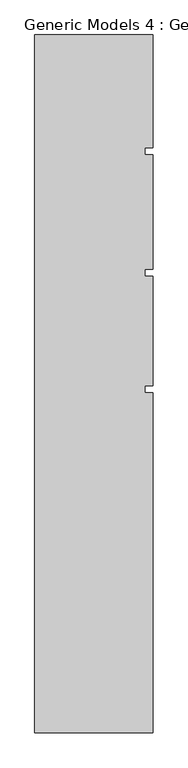
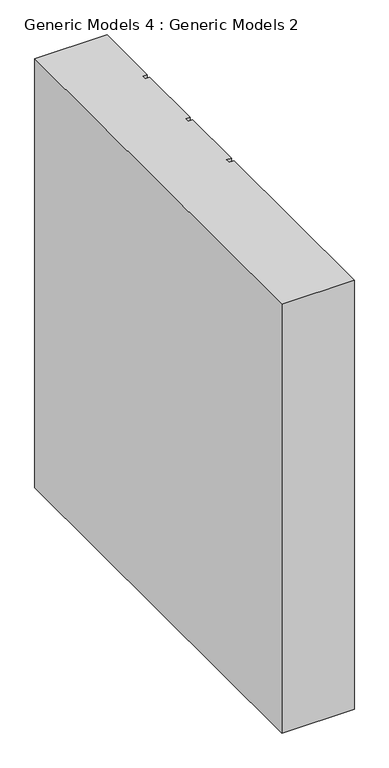
"""IFC4 building model written with IfcOpenShell, lengths in millimetres: proxy geometry, Generic Models 4 : Generic Models 2."""

from ifc_helpers import new_model, si_unit, frame, origin, place, context, project, spatial, polyline, outline, extrude, source, transform, mapped, element, save


def generic_models_4_generic_models_2_9a3bee1e(model_context):
    return source(origin(), model_context, "Body", "SweptSolid", [
        extrude(outline(polyline([(5233.0647246, -12592.9629303), (5720.1069397, -12592.9629303), (5720.1069397, -13057.3723427), (5688.4644391, -13057.3723427), (5688.4644391, -13087.4057756), (5720.1069397, -13087.4057756), (5720.1069397, -13557.3723427), (5688.4644391, -13557.3723427), (5688.4644391, -13587.4057756), (5720.1069397, -13587.4057756), (5720.1069397, -14037.3723427), (5688.4644391, -14037.3723427), (5688.4644391, -14067.4057756), (5720.1069397, -14067.4057756), (5720.1069397, -15468.6154552), (5233.0647246, -15468.6154552), (5233.0647246, -12592.9629303)])), frame((0.0, 0.0, 3000.0), z_axis=(0.0, 0.0, 1.0), x_axis=(1.0, 0.0, 0.0)), (0.0, 0.0, 1.0), 3044.7067261),
    ])


if __name__ == "__main__":
    model = new_model("IFC4")
    model_context = context("Model", 3, world=origin())
    ifc_project = project(units=[si_unit("LENGTHUNIT", "METRE", prefix="MILLI")], contexts=[model_context])
    site = spatial("IfcSite", under=ifc_project)
    building = spatial("IfcBuilding", under=site)
    placement = place(None, origin())
    generic_models_4_generic_models_2_shape = generic_models_4_generic_models_2_9a3bee1e(model_context)
    element("IfcBuildingElementProxy", 1, Name="Generic Models 4 : Generic Models 2", ObjectType="Generic Models 4 : Generic Models 2", at=placement, inside=building, context=model_context, shape_type="MappedRepresentation", body=[
        mapped(generic_models_4_generic_models_2_shape, transform((0.0, 0.0, 0.0), x_axis=(1.0, 0.0, 0.0), y_axis=(0.0, 1.0, 0.0), z_axis=(0.0, 0.0, 1.0))),
    ])
    save(model, "model.ifc")
